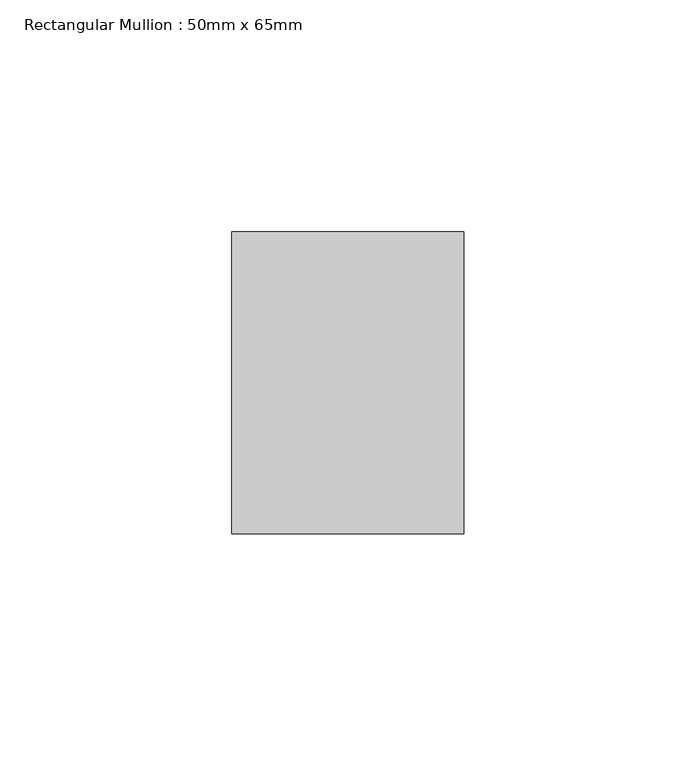
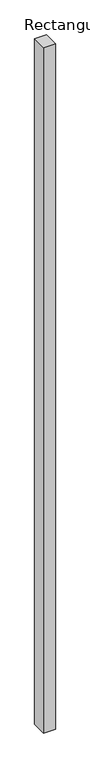
"""IFC4 building model written with IfcOpenShell, lengths in millimetres: member geometry, Rectangular Mullion : 50mm x 65mm."""

from ifc_helpers import new_model, si_unit, frame, origin, place, context, project, spatial, polyline, outline, extrude, source, transform, mapped, element, save


def rectangular_mullion_50mm_x_65mm_ed6c83b0(model_context):
    return source(origin(), model_context, "Body", "SweptSolid", [
        extrude(outline(polyline([(25.0, 32.5), (25.0, -32.5), (-25.0, -32.5), (-25.0, 32.5), (25.0, 32.5)])), frame((0.0, 0.0, -3078.7110935), z_axis=(0.0, 0.0, 1.0), x_axis=(1.0, 0.0, 0.0)), (0.0, 0.0, 1.0), 3078.7110935),
    ])


if __name__ == "__main__":
    model = new_model("IFC4")
    model_context = context("Model", 3, world=origin())
    ifc_project = project(units=[si_unit("LENGTHUNIT", "METRE", prefix="MILLI")], contexts=[model_context])
    site = spatial("IfcSite", under=ifc_project)
    building = spatial("IfcBuilding", under=site)
    placement = place(None, origin())
    rectangular_mullion_50mm_x_65mm_shape = rectangular_mullion_50mm_x_65mm_ed6c83b0(model_context)
    element("IfcMember", 1, ObjectType="Rectangular Mullion : 50mm x 65mm", at=placement, inside=building, context=model_context, shape_type="MappedRepresentation", body=[
        mapped(rectangular_mullion_50mm_x_65mm_shape, transform((0.0, 0.0, 0.0), x_axis=(1.0, 0.0, 0.0), y_axis=(0.0, 1.0, 0.0), z_axis=(0.0, 0.0, 1.0))),
    ])
    save(model, "model.ifc")
